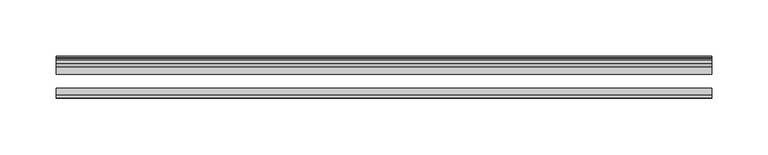
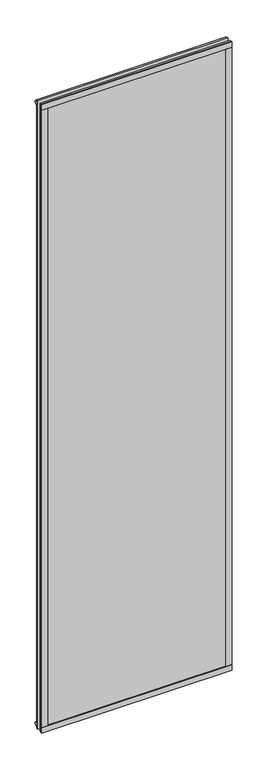
"""IFC4 building model written with IfcOpenShell, lengths in millimetres: plate geometry."""

import ifcopenshell
import ifcopenshell.guid

model = None  # the IFC model being written
_history = None  # IfcOwnerHistory: only IFC2X3 demands one
_inside = {}  # id of a spatial element -> (the spatial element, [elements in it])
_under = {}  # id of a project, library or spatial element -> (it, [spatial elements below it])
_declared = {}  # id of a project -> (the project, [libraries it declares])
_typed = {}  # id of a type object -> (the type object, [elements of that type])
_made_of = {}  # id of a material, layer set ... -> (it, [elements and type objects made of it])


def new_model(schema):
    """Start an empty IFC model of exactly this schema.

    Asked for "IFC4X3", IfcOpenShell would pick the latest addendum, in which some entities
    have other attributes; the version numbers below select the first issue.
    IFC2X3 requires an IfcOwnerHistory on every rooted entity: one is made here for all.
    """
    global model, _history
    if schema == "IFC4X3":
        model = ifcopenshell.file(schema_version=(4, 3, 0, 0))
    else:
        model = ifcopenshell.file(schema=schema)
    _inside.clear()
    _under.clear()
    _declared.clear()
    _typed.clear()
    _made_of.clear()
    _history = None
    if model.schema == "IFC2X3":
        org = make("IfcOrganization", Name="unknown")
        user = make(
            "IfcPersonAndOrganization",
            ThePerson=make("IfcPerson", FamilyName="unknown"),
            TheOrganization=org,
        )
        app = make(
            "IfcApplication",
            ApplicationDeveloper=org,
            Version="unknown",
            ApplicationFullName="unknown",
            ApplicationIdentifier="unknown",
        )
        _history = make(
            "IfcOwnerHistory",
            OwningUser=user,
            OwningApplication=app,
            ChangeAction="ADDED",
            CreationDate=0,
        )
    return model


def make(cls, **values):
    """One entity of the class cls with the attributes given. An attribute that is None is left unset."""
    return model.create_entity(
        cls, **{name: value for name, value in values.items() if value is not None}
    )


def rooted(cls, **values):
    """An entity with a GlobalId (a new one), such as an element, a storey or a relation."""
    return make(cls, GlobalId=ifcopenshell.guid.new(), OwnerHistory=_history, **values)


def si_unit(unit_type, name, prefix=None):
    """IfcSIUnit, for example si_unit("LENGTHUNIT", "METRE", prefix="MILLI")."""
    return make("IfcSIUnit", UnitType=unit_type, Prefix=prefix, Name=name)


def assignment(units):
    """IfcUnitAssignment: the units of a project."""
    return None if units is None else make("IfcUnitAssignment", Units=units)


def point(xyz):
    """IfcCartesianPoint."""
    return None if xyz is None else make("IfcCartesianPoint", Coordinates=xyz)


def direction(xyz):
    """IfcDirection."""
    return None if xyz is None else make("IfcDirection", DirectionRatios=xyz)


def frame(location, z_axis=None, x_axis=None):
    """IfcAxis2Placement3D, a coordinate frame: its origin and axes. An axis left out is left unset."""
    return make(
        "IfcAxis2Placement3D",
        Location=point(location),
        Axis=direction(z_axis),
        RefDirection=direction(x_axis),
    )


def origin():
    """The frame at (0, 0, 0) with its axes left unset."""
    return frame((0.0, 0.0, 0.0))


def origin_with_axes():
    """The frame at (0, 0, 0) with the z axis (0, 0, 1) and the x axis (1, 0, 0) written out."""
    return frame((0.0, 0.0, 0.0), z_axis=(0.0, 0.0, 1.0), x_axis=(1.0, 0.0, 0.0))


def place(relative_to, where):
    """IfcLocalPlacement: puts the frame where relative to a parent placement (None: the world)."""
    return make(
        "IfcLocalPlacement", PlacementRelTo=relative_to, RelativePlacement=where
    )


def context(
    kind, dimensions, precision=None, world=None, true_north=None, identifier=None
):
    """IfcGeometricRepresentationContext, for example the 3D "Model" context."""
    return make(
        "IfcGeometricRepresentationContext",
        ContextIdentifier=identifier,
        ContextType=kind,
        CoordinateSpaceDimension=dimensions,
        Precision=precision,
        WorldCoordinateSystem=world,
        TrueNorth=true_north,
    )


def project(units=None, contexts=None):
    """IfcProject with its units and contexts."""
    return rooted(
        "IfcProject",
        Name="project",
        RepresentationContexts=contexts,
        UnitsInContext=assignment(units),
    )


def spatial(cls, under=None, at=None, **own):
    """A site, building, storey or space (cls), placed at a placement, below another one or the project."""
    s = rooted(cls, ObjectPlacement=at, **own)
    if under is not None:
        _under.setdefault(under.id(), (under, []))[1].append(s)
    return s


def polyline(points):
    """IfcPolyline through the points."""
    return make("IfcPolyline", Points=[point(p) for p in points])


def outline(outer, holes=None, kind="AREA"):
    """IfcArbitraryClosedProfileDef: a profile drawn as a closed curve; with holes, ...WithVoids."""
    if holes is None:
        return make("IfcArbitraryClosedProfileDef", ProfileType=kind, OuterCurve=outer)
    return make(
        "IfcArbitraryProfileDefWithVoids",
        ProfileType=kind,
        OuterCurve=outer,
        InnerCurves=holes,
    )


def extrude(swept, where, along, depth):
    """IfcExtrudedAreaSolid: the profile swept, set in the frame where, extruded along a direction by depth."""
    return make(
        "IfcExtrudedAreaSolid",
        SweptArea=swept,
        Position=where,
        ExtrudedDirection=direction(along),
        Depth=depth,
    )


def shape(context_of_items, identifier, shape_type, items):
    """IfcShapeRepresentation: the items that make up one representation, for example the "Body"."""
    return make(
        "IfcShapeRepresentation",
        ContextOfItems=context_of_items,
        RepresentationIdentifier=identifier,
        RepresentationType=shape_type,
        Items=items,
    )


def source(mapping_origin, context_of_items, identifier, shape_type, items):
    """IfcRepresentationMap: a shape defined once, which mapped items show again and again."""
    return make(
        "IfcRepresentationMap",
        MappingOrigin=mapping_origin,
        MappedRepresentation=shape(context_of_items, identifier, shape_type, items),
    )


def transform(
    local_origin,
    x_axis=None,
    y_axis=None,
    z_axis=None,
    scale=None,
    scale2=None,
    scale3=None,
    uniform=True,
):
    """IfcCartesianTransformationOperator3D, or its non-uniform kind. x_axis, y_axis, z_axis: its Axis1, 2, 3."""
    if uniform:
        return make(
            "IfcCartesianTransformationOperator3D",
            Axis1=direction(x_axis),
            Axis2=direction(y_axis),
            LocalOrigin=point(local_origin),
            Scale=scale,
            Axis3=direction(z_axis),
        )
    return make(
        "IfcCartesianTransformationOperator3DnonUniform",
        Axis1=direction(x_axis),
        Axis2=direction(y_axis),
        LocalOrigin=point(local_origin),
        Scale=scale,
        Axis3=direction(z_axis),
        Scale2=scale2,
        Scale3=scale3,
    )


def mapped(mapping_source, mapping_target):
    """IfcMappedItem: shows the shape of a source again, moved by a transform."""
    return make(
        "IfcMappedItem", MappingSource=mapping_source, MappingTarget=mapping_target
    )


def made_of(thing, what):
    """Note that an element or type object is made of a material, layer set ...; save() writes the relation."""
    if what is not None:
        _made_of.setdefault(what.id(), (what, []))[1].append(thing)
    return thing


def element(
    cls,
    number,
    at=None,
    inside=None,
    cuts=None,
    type_object=None,
    material=None,
    context=None,
    identifier="Body",
    shape_type=None,
    held_by="IfcProductDefinitionShape",
    body=None,
    shapes=None,
    **own,
):
    """One element of the class cls, such as IfcWall. Its Tag is "e" and its number.

    at: its placement. inside: the storey or other place that contains it. cuts: it is an
    opening in that element (IfcRelVoidsElement). A single representation is given by context,
    identifier, shape_type and body (its items); several are given by shapes. held_by: the class
    of the entity that holds the representations. save() writes the other relations.
    """
    e = rooted(cls, Tag="e%d" % number, ObjectPlacement=at, **own)
    if body is not None:
        shapes = [shape(context, identifier, shape_type, body)]
    if shapes is not None:
        e.Representation = make(held_by, Representations=shapes)
    if inside is not None:
        _inside.setdefault(inside.id(), (inside, []))[1].append(e)
    if cuts is not None:
        rooted(
            "IfcRelVoidsElement", RelatingBuildingElement=cuts, RelatedOpeningElement=e
        )
    if type_object is not None:
        _typed.setdefault(type_object.id(), (type_object, []))[1].append(e)
    return made_of(e, material)


def aggregate(whole, parts):
    """IfcRelAggregates: a whole, such as a stair, and the parts it consists of."""
    return rooted("IfcRelAggregates", RelatingObject=whole, RelatedObjects=parts)


def save(model, path):
    """Write the relations noted so far, then the file.

    IfcRelAggregates (storeys below a building ...), IfcRelContainedInSpatialStructure (elements
    in a storey), IfcRelDefinesByType, IfcRelAssociatesMaterial and IfcRelDeclares: one each for
    every whole, place, type object, material and project.
    """
    for whole, parts in _under.values():
        aggregate(whole, parts)
    for where, things in _inside.values():
        rooted(
            "IfcRelContainedInSpatialStructure",
            RelatedElements=things,
            RelatingStructure=where,
        )
    for kind, things in _typed.values():
        rooted("IfcRelDefinesByType", RelatedObjects=things, RelatingType=kind)
    for what, things in _made_of.values():
        rooted("IfcRelAssociatesMaterial", RelatedObjects=things, RelatingMaterial=what)
    for by, libraries in _declared.values():
        rooted("IfcRelDeclares", RelatingContext=by, RelatedDefinitions=libraries)
    model.write(path)


def plate_2f82fe3e(model_context):
    return source(origin(), model_context, "Body", "SweptSolid", [
        extrude(outline(polyline([(290.5124997, -44.4293643), (290.5124997, -46.7153636), (-290.5124997, -46.7153636), (-290.5124997, -44.4293643), (290.5124997, -44.4293643)])), frame((0.0, 0.0, 1993.8872995), z_axis=(0.0, 0.0, 1.0), x_axis=(1.0, 0.0, 0.0)), (0.0, 0.0, 1.0), 17.4752),
        extrude(outline(polyline([(290.5124997, -44.4293643), (290.5124997, -46.7153636), (-290.5124997, -46.7153636), (-290.5124997, -44.4293643), (290.5124997, -44.4293643)])), frame((0.0, 0.0, -17.4625), z_axis=(0.0, 0.0, 1.0), x_axis=(1.0, 0.0, 0.0)), (0.0, 0.0, 1.0), 17.4752),
        extrude(outline(polyline([(-16.311566, -12.4459992), (-19.5373643, -9.7597211), (-19.5373643, 1.1616223), (-13.365166, -0.5079992), (-13.365166, -5.7149992), (-10.9849691, -6.0959992), (-11.4449023, -4.6804701), (-10.6436881, -4.6804701), (-9.936166, -6.8579992), (-10.6436881, -9.0355282), (-11.4449023, -9.0355282), (-10.9849691, -7.6199992), (-13.365166, -8.0009992), (-13.365166, -12.4459992), (-16.311566, -12.4459992)])), frame((-290.5124997, 0.0, 0.0), z_axis=(1.0, 0.0, 0.0), x_axis=(0.0, 1.0, 0.0)), (0.0, 0.0, 1.0), 581.0249995),
        extrude(outline(polyline([(-16.311566, 2006.3459986), (-13.365166, 2006.3459986), (-13.365166, 2001.9009986), (-10.9849691, 2001.5199986), (-11.4449023, 2002.9355277), (-10.6436881, 2002.9355277), (-9.936166, 2000.7579986), (-10.6436881, 1998.5804696), (-11.4449023, 1998.5804696), (-10.9849691, 1999.9959986), (-13.365166, 1999.6149986), (-13.365166, 1994.4079986), (-19.5373643, 1992.7383771), (-19.5373643, 2003.6597206), (-16.311566, 2006.3459986)])), frame((-290.5124997, 0.0, 0.0), z_axis=(1.0, 0.0, 0.0), x_axis=(0.0, 1.0, 0.0)), (0.0, 0.0, 1.0), 581.0249995),
        extrude(outline(polyline([(-271.8883774, -19.5373643), (-282.8097208, -19.5373643), (-285.4959989, -16.311566), (-285.4959989, -13.365166), (-281.0509989, -13.365166), (-280.6699989, -10.9849691), (-282.0855279, -11.4449023), (-282.0855279, -10.6436881), (-279.9079989, -9.936166), (-277.7304698, -10.6436881), (-277.7304698, -11.4449023), (-279.1459989, -10.9849691), (-278.7649989, -13.365166), (-273.5579989, -13.365166), (-271.8883774, -19.5373643)])), origin_with_axes(), (0.0, 0.0, 1.0), 1993.8999995),
        extrude(outline(polyline([(-273.0372997, -44.4293643), (-273.0372997, -46.7153636), (-290.5124997, -46.7153636), (-290.5124997, -44.4293643), (-273.0372997, -44.4293643)])), origin_with_axes(), (0.0, 0.0, 1.0), 1993.8999995),
        extrude(outline(polyline([(271.9010776, -19.5373643), (273.5706991, -13.365166), (278.7776991, -13.365166), (279.1586991, -10.9849691), (277.74317, -11.4449023), (277.74317, -10.6436881), (279.9206991, -9.936166), (282.0982281, -10.6436881), (282.0982281, -11.4449023), (280.6826991, -10.9849691), (281.0636991, -13.365166), (285.5086991, -13.365166), (285.5086991, -16.311566), (282.822421, -19.5373643), (271.9010776, -19.5373643)])), origin_with_axes(), (0.0, 0.0, 1.0), 1993.8999995),
        extrude(outline(polyline([(290.5251999, -46.7153636), (273.0499995, -46.7153636), (273.0499995, -44.4293643), (290.5251999, -44.4293643), (290.5251999, -46.7153636)])), origin_with_axes(), (0.0, 0.0, 1.0), 1993.8999995),
        extrude(outline(polyline([(290.5124997, -19.5373643), (290.5124997, -25.8250158), (-290.5124997, -25.8250158), (-290.5124997, -19.5373643), (290.5124997, -19.5373643)])), frame((0.0, 0.0, -17.4497998), z_axis=(0.0, 0.0, 1.0), x_axis=(1.0, 0.0, 0.0)), (0.0, 0.0, 1.0), 2028.8122993),
        extrude(outline(polyline([(-290.5124997, -44.4293643), (-290.5124997, -38.1186142), (290.5124997, -38.1186142), (290.5124997, -44.4293643), (-290.5124997, -44.4293643)])), frame((0.0, 0.0, -17.4497998), z_axis=(0.0, 0.0, 1.0), x_axis=(1.0, 0.0, 0.0)), (0.0, 0.0, 1.0), 2028.8122993),
    ])


if __name__ == "__main__":
    model = new_model("IFC4")
    model_context = context("Model", 3, world=origin())
    ifc_project = project(units=[si_unit("LENGTHUNIT", "METRE", prefix="MILLI")], contexts=[model_context])
    site = spatial("IfcSite", under=ifc_project)
    building = spatial("IfcBuilding", under=site)
    placement = place(None, origin())
    plate_shape = plate_2f82fe3e(model_context)
    element("IfcPlate", 1, at=placement, inside=building, context=model_context, shape_type="MappedRepresentation", body=[
        mapped(plate_shape, transform((0.0, 0.0, 0.0), x_axis=(1.0, 0.0, 0.0), y_axis=(0.0, 1.0, 0.0), z_axis=(0.0, 0.0, 1.0))),
    ])
    save(model, "model.ifc")
